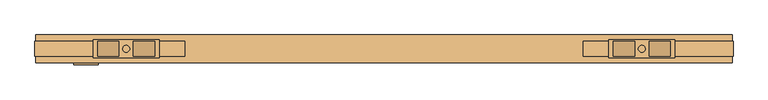
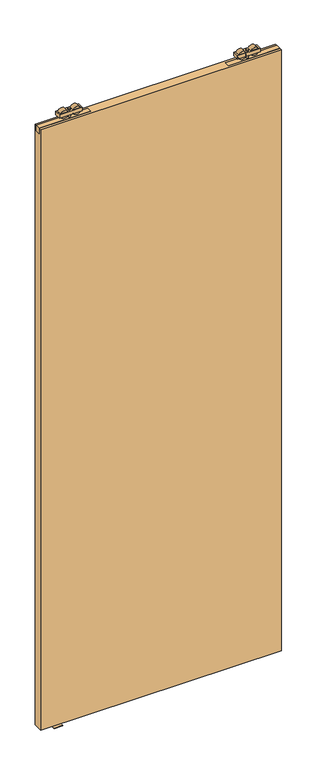
"""IFC4 building model written with IfcOpenShell, lengths in millimetres: door geometry."""

from ifc_helpers import new_model, si_unit, frame, origin, place, context, project, spatial, polyline, circle_curve, outline, extrude, source, transform, mapped, element, save
from ifc_brep_helpers import plane_surface, cylinder_surface, advanced_brep


def door_ffec7c73(model_context):
    return source(origin(), model_context, "Body", "SolidModel", [
        advanced_brep(
        [(915.0, -5.75, 2679.5), (915.0, 20.25, 2679.5), (820.0, 20.25, 2679.5), (820.0, -5.75, 2679.5), (857.072332, 17.9531798, 2679.5), (857.072332, -3.4531798, 2679.5), (826.78306, -3.4531798, 2679.5), (826.78306, 17.9531798, 2679.5), (908.21694, 17.9531798, 2679.5), (908.21694, -3.4531798, 2679.5), (877.927668, -3.4531798, 2679.5), (877.927668, 17.9531798, 2679.5), (872.45, 7.25, 2679.5), (862.55, 7.25, 2679.5), (915.0, -5.75, 2664.5), (820.0, -5.75, 2664.5), (820.0, 20.25, 2664.5), (915.0, 20.25, 2664.5), (826.78306, 17.9531798, 2664.5), (826.78306, -3.4531798, 2664.5), (857.072332, -3.4531798, 2664.5), (857.072332, 17.9531798, 2664.5), (877.927668, 17.9531798, 2664.5), (877.927668, -3.4531798, 2664.5), (908.21694, -3.4531798, 2664.5), (908.21694, 17.9531798, 2664.5), (862.55, 7.25, 2664.5), (872.45, 7.25, 2664.5), (862.55, 7.25, 2685.0), (872.45, 7.25, 2685.0), (862.55, 7.25, 2648.0), (872.45, 7.25, 2648.0)],
        [
            (0, 1),
            (1, 2),
            (2, 3),
            (3, 0),
            (4, 5),
            (5, 6),
            (6, 7),
            (7, 4),
            (8, 9),
            (9, 10),
            (10, 11),
            (11, 8),
            (12, 13, circle_curve(frame((867.5, 7.25, 2679.5), z_axis=(0.0, 0.0, -1.0), x_axis=(1.0, 0.0, 0.0)), 4.95)),
            (13, 12, circle_curve(frame((867.5, 7.25, 2679.5), z_axis=(0.0, 0.0, -1.0), x_axis=(1.0, 0.0, 0.0)), 4.95)),
            (14, 15),
            (15, 16),
            (16, 17),
            (17, 14),
            (18, 19),
            (19, 20),
            (20, 21),
            (21, 18),
            (22, 23),
            (23, 24),
            (24, 25),
            (25, 22),
            (26, 27, circle_curve(frame((867.5, 7.25, 2664.5), z_axis=(0.0, 0.0, 1.0), x_axis=(1.0, 0.0, 0.0)), 4.95)),
            (27, 26, circle_curve(frame((867.5, 7.25, 2664.5), z_axis=(0.0, 0.0, 1.0), x_axis=(1.0, 0.0, 0.0)), 4.95)),
            (3, 15),
            (14, 0),
            (2, 16),
            (1, 17),
            (7, 4, circle_curve(frame((841.927696, 17.9531798, 2672.0), z_axis=(0.0, 1.0, 0.0), x_axis=(1.0, 0.0, 0.0)), 16.9)),
            (21, 18, circle_curve(frame((841.927696, 17.9531798, 2672.0), z_axis=(0.0, 1.0, 0.0), x_axis=(1.0, 0.0, 0.0)), 16.9)),
            (5, 6, circle_curve(frame((841.927696, -3.4531798, 2672.0), z_axis=(0.0, -1.0, 0.0), x_axis=(1.0, 0.0, 0.0)), 16.9)),
            (19, 20, circle_curve(frame((841.927696, -3.4531798, 2672.0), z_axis=(0.0, -1.0, 0.0), x_axis=(1.0, 0.0, 0.0)), 16.9)),
            (11, 8, circle_curve(frame((893.072304, 17.9531798, 2672.0), z_axis=(0.0, 1.0, 0.0), x_axis=(-1.0, 0.0, 0.0)), 16.9)),
            (25, 22, circle_curve(frame((893.072304, 17.9531798, 2672.0), z_axis=(0.0, 1.0, 0.0), x_axis=(-1.0, 0.0, 0.0)), 16.9)),
            (9, 10, circle_curve(frame((893.072304, -3.4531798, 2672.0), z_axis=(0.0, -1.0, 0.0), x_axis=(-1.0, 0.0, 0.0)), 16.9)),
            (23, 24, circle_curve(frame((893.072304, -3.4531798, 2672.0), z_axis=(0.0, -1.0, 0.0), x_axis=(-1.0, 0.0, 0.0)), 16.9)),
            (28, 29, circle_curve(frame((867.5, 7.25, 2685.0), z_axis=(0.0, 0.0, 1.0), x_axis=(1.0, 0.0, 0.0)), 4.95)),
            (29, 28, circle_curve(frame((867.5, 7.25, 2685.0), z_axis=(0.0, 0.0, 1.0), x_axis=(1.0, 0.0, 0.0)), 4.95)),
            (30, 31, circle_curve(frame((867.5, 7.25, 2648.0), z_axis=(0.0, 0.0, -1.0), x_axis=(1.0, 0.0, 0.0)), 4.95)),
            (31, 30, circle_curve(frame((867.5, 7.25, 2648.0), z_axis=(0.0, 0.0, -1.0), x_axis=(1.0, 0.0, 0.0)), 4.95)),
            (30, 26),
            (27, 31),
            (29, 12),
            (13, 28),
        ],
        [
            plane_surface(frame((820.0, -5.75, 2679.5), z_axis=(0.0, 0.0, 1.0), x_axis=(-1.0, 0.0, 0.0))),
            plane_surface(frame((820.0, -5.75, 2664.5), z_axis=(0.0, 0.0, -1.0), x_axis=(1.0, 0.0, 0.0))),
            plane_surface(frame((915.0, -5.75, 2679.5), z_axis=(0.0, -1.0, 0.0), x_axis=(0.0, 0.0, -1.0))),
            plane_surface(frame((820.0, -5.75, 2679.5), z_axis=(-1.0, 0.0, 0.0), x_axis=(0.0, 0.0, -1.0))),
            plane_surface(frame((820.0, 20.25, 2679.5), z_axis=(0.0, 1.0, 0.0), x_axis=(0.0, 0.0, -1.0))),
            plane_surface(frame((915.0, 20.25, 2679.5), z_axis=(1.0, 0.0, 0.0), x_axis=(0.0, 0.0, -1.0))),
            plane_surface(frame((858.827696, 17.9531798, 2672.0), z_axis=(0.0, 1.0, 0.0), x_axis=(0.0, 0.0, 1.0))),
            plane_surface(frame((858.827696, -3.4531798, 2672.0), z_axis=(0.0, -1.0, 0.0), x_axis=(0.0, 0.0, -1.0))),
            cylinder_surface(frame((841.927696, -3.4531798, 2672.0), z_axis=(0.0, 1.0, 0.0), x_axis=(1.0, 0.0, 0.0)), 16.9),
            plane_surface(frame((876.172304, 17.9531798, 2672.0), z_axis=(0.0, 1.0, 0.0), x_axis=(0.0, 0.0, -1.0))),
            plane_surface(frame((876.172304, -3.4531798, 2672.0), z_axis=(0.0, -1.0, 0.0), x_axis=(0.0, 0.0, 1.0))),
            cylinder_surface(frame((893.072304, -3.4531798, 2672.0), z_axis=(0.0, 1.0, 0.0), x_axis=(-1.0, 0.0, 0.0)), 16.9),
            plane_surface(frame((872.45, 7.25, 2685.0), z_axis=(0.0, 0.0, 1.0), x_axis=(0.0, -1.0, 0.0))),
            plane_surface(frame((872.45, 7.25, 2648.0), z_axis=(0.0, 0.0, -1.0), x_axis=(0.0, 1.0, 0.0))),
            cylinder_surface(frame((867.5, 7.25, 2648.0), z_axis=(0.0, 0.0, 1.0), x_axis=(1.0, 0.0, 0.0)), 4.95),
        ],
        [
            (0, [[1, 2, 3, 4], [5, 6, 7, 8], [9, 10, 11, 12], [13, 14]]),
            (1, [[15, 16, 17, 18], [19, 20, 21, 22], [23, 24, 25, 26], [27, 28]]),
            (2, [[29, -15, 30, -4]]),
            (3, [[31, -16, -29, -3]]),
            (4, [[32, -17, -31, -2]]),
            (5, [[-30, -18, -32, -1]]),
            (6, [[-8, 33]]),
            (6, [[-22, 34]]),
            (7, [[-6, 35]]),
            (7, [[-20, 36]]),
            (8, [[-21, -36, -19, -34]]),
            (8, [[-7, -35, -5, -33]]),
            (9, [[-12, 37]]),
            (9, [[-26, 38]]),
            (10, [[-10, 39]]),
            (10, [[-24, 40]]),
            (11, [[-25, -40, -23, -38]]),
            (11, [[-11, -39, -9, -37]]),
            (12, [[41, 42]]),
            (13, [[43, 44]]),
            (14, [[45, -28, 46, -43]]),
            (14, [[47, -14, 48, -42]]),
            (14, [[-48, -13, -47, -41]]),
            (14, [[-46, -27, -45, -44]]),
        ],
    ),
        extrude(outline(polyline([(998.5, 18.5074263), (998.5, -3.4925737), (783.5, -3.4925737), (783.5, 18.5074263), (998.5, 18.5074263)])), frame((0.0, 0.0, 2623.2), z_axis=(0.0, 0.0, 1.0), x_axis=(1.0, 0.0, 0.0)), (0.0, 0.0, 1.0), 24.8),
        advanced_brep(
        [(80.0, -5.75, 2679.5), (175.0, -5.75, 2679.5), (175.0, 20.25, 2679.5), (80.0, 20.25, 2679.5), (137.927668, 17.9531798, 2679.5), (168.21694, 17.9531798, 2679.5), (168.21694, -3.4531798, 2679.5), (137.927668, -3.4531798, 2679.5), (86.78306, 17.9531798, 2679.5), (117.072332, 17.9531798, 2679.5), (117.072332, -3.4531798, 2679.5), (86.78306, -3.4531798, 2679.5), (122.55, 7.25, 2679.5), (132.45, 7.25, 2679.5), (80.0, -5.75, 2664.5), (80.0, 20.25, 2664.5), (175.0, 20.25, 2664.5), (175.0, -5.75, 2664.5), (168.21694, 17.9531798, 2664.5), (137.927668, 17.9531798, 2664.5), (137.927668, -3.4531798, 2664.5), (168.21694, -3.4531798, 2664.5), (117.072332, 17.9531798, 2664.5), (86.78306, 17.9531798, 2664.5), (86.78306, -3.4531798, 2664.5), (117.072332, -3.4531798, 2664.5), (132.45, 7.25, 2664.5), (122.55, 7.25, 2664.5), (132.45, 7.25, 2685.0), (122.55, 7.25, 2685.0), (132.45, 7.25, 2648.0), (122.55, 7.25, 2648.0)],
        [
            (0, 1),
            (1, 2),
            (2, 3),
            (3, 0),
            (4, 5),
            (5, 6),
            (6, 7),
            (7, 4),
            (8, 9),
            (9, 10),
            (10, 11),
            (11, 8),
            (12, 13, circle_curve(frame((127.5, 7.25, 2679.5), z_axis=(0.0, 0.0, -1.0), x_axis=(-1.0, 0.0, 0.0)), 4.95)),
            (13, 12, circle_curve(frame((127.5, 7.25, 2679.5), z_axis=(0.0, 0.0, -1.0), x_axis=(-1.0, 0.0, 0.0)), 4.95)),
            (14, 15),
            (15, 16),
            (16, 17),
            (17, 14),
            (18, 19),
            (19, 20),
            (20, 21),
            (21, 18),
            (22, 23),
            (23, 24),
            (24, 25),
            (25, 22),
            (26, 27, circle_curve(frame((127.5, 7.25, 2664.5), z_axis=(0.0, 0.0, 1.0), x_axis=(-1.0, 0.0, 0.0)), 4.95)),
            (27, 26, circle_curve(frame((127.5, 7.25, 2664.5), z_axis=(0.0, 0.0, 1.0), x_axis=(-1.0, 0.0, 0.0)), 4.95)),
            (0, 14),
            (17, 1),
            (16, 2),
            (15, 3),
            (4, 5, circle_curve(frame((153.072304, 17.9531798, 2672.0), z_axis=(0.0, 1.0, 0.0), x_axis=(-1.0, 0.0, 0.0)), 16.9)),
            (18, 19, circle_curve(frame((153.072304, 17.9531798, 2672.0), z_axis=(0.0, 1.0, 0.0), x_axis=(-1.0, 0.0, 0.0)), 16.9)),
            (6, 7, circle_curve(frame((153.072304, -3.4531798, 2672.0), z_axis=(0.0, -1.0, 0.0), x_axis=(-1.0, 0.0, 0.0)), 16.9)),
            (20, 21, circle_curve(frame((153.072304, -3.4531798, 2672.0), z_axis=(0.0, -1.0, 0.0), x_axis=(-1.0, 0.0, 0.0)), 16.9)),
            (8, 9, circle_curve(frame((101.927696, 17.9531798, 2672.0), z_axis=(0.0, 1.0, 0.0), x_axis=(1.0, 0.0, 0.0)), 16.9)),
            (22, 23, circle_curve(frame((101.927696, 17.9531798, 2672.0), z_axis=(0.0, 1.0, 0.0), x_axis=(1.0, 0.0, 0.0)), 16.9)),
            (10, 11, circle_curve(frame((101.927696, -3.4531798, 2672.0), z_axis=(0.0, -1.0, 0.0), x_axis=(1.0, 0.0, 0.0)), 16.9)),
            (24, 25, circle_curve(frame((101.927696, -3.4531798, 2672.0), z_axis=(0.0, -1.0, 0.0), x_axis=(1.0, 0.0, 0.0)), 16.9)),
            (28, 29, circle_curve(frame((127.5, 7.25, 2685.0), z_axis=(0.0, 0.0, 1.0), x_axis=(-1.0, 0.0, 0.0)), 4.95)),
            (29, 28, circle_curve(frame((127.5, 7.25, 2685.0), z_axis=(0.0, 0.0, 1.0), x_axis=(-1.0, 0.0, 0.0)), 4.95)),
            (30, 31, circle_curve(frame((127.5, 7.25, 2648.0), z_axis=(0.0, 0.0, -1.0), x_axis=(-1.0, 0.0, 0.0)), 4.95)),
            (31, 30, circle_curve(frame((127.5, 7.25, 2648.0), z_axis=(0.0, 0.0, -1.0), x_axis=(-1.0, 0.0, 0.0)), 4.95)),
            (28, 13),
            (12, 29),
            (31, 27),
            (26, 30),
        ],
        [
            plane_surface(frame((175.0, -5.75, 2679.5), z_axis=(0.0, 0.0, 1.0), x_axis=(1.0, 0.0, 0.0))),
            plane_surface(frame((175.0, -5.75, 2664.5), z_axis=(0.0, 0.0, -1.0), x_axis=(-1.0, 0.0, 0.0))),
            plane_surface(frame((80.0, -5.75, 2679.5), z_axis=(0.0, -1.0, 0.0), x_axis=(0.0, 0.0, -1.0))),
            plane_surface(frame((175.0, -5.75, 2679.5), z_axis=(1.0, 0.0, 0.0), x_axis=(0.0, 0.0, -1.0))),
            plane_surface(frame((175.0, 20.25, 2679.5), z_axis=(0.0, 1.0, 0.0), x_axis=(0.0, 0.0, -1.0))),
            plane_surface(frame((80.0, 20.25, 2679.5), z_axis=(-1.0, 0.0, 0.0), x_axis=(0.0, 0.0, -1.0))),
            plane_surface(frame((136.172304, 17.9531798, 2672.0), z_axis=(0.0, 1.0, 0.0), x_axis=(0.0, 0.0, 1.0))),
            plane_surface(frame((136.172304, -3.4531798, 2672.0), z_axis=(0.0, -1.0, 0.0), x_axis=(0.0, 0.0, -1.0))),
            cylinder_surface(frame((153.072304, -3.4531798, 2672.0), z_axis=(0.0, 1.0, 0.0), x_axis=(-1.0, 0.0, 0.0)), 16.9),
            plane_surface(frame((118.827696, 17.9531798, 2672.0), z_axis=(0.0, 1.0, 0.0), x_axis=(0.0, 0.0, -1.0))),
            plane_surface(frame((118.827696, -3.4531798, 2672.0), z_axis=(0.0, -1.0, 0.0), x_axis=(0.0, 0.0, 1.0))),
            cylinder_surface(frame((101.927696, -3.4531798, 2672.0), z_axis=(0.0, 1.0, 0.0), x_axis=(1.0, 0.0, 0.0)), 16.9),
            plane_surface(frame((122.55, 7.25, 2685.0), z_axis=(0.0, 0.0, 1.0), x_axis=(0.0, -1.0, 0.0))),
            plane_surface(frame((122.55, 7.25, 2648.0), z_axis=(0.0, 0.0, -1.0), x_axis=(0.0, 1.0, 0.0))),
            cylinder_surface(frame((127.5, 7.25, 2648.0), z_axis=(0.0, 0.0, 1.0), x_axis=(-1.0, 0.0, 0.0)), 4.95),
        ],
        [
            (0, [[1, 2, 3, 4], [5, 6, 7, 8], [9, 10, 11, 12], [13, 14]]),
            (1, [[15, 16, 17, 18], [19, 20, 21, 22], [23, 24, 25, 26], [27, 28]]),
            (2, [[-1, 29, -18, 30]]),
            (3, [[-2, -30, -17, 31]]),
            (4, [[-3, -31, -16, 32]]),
            (5, [[-4, -32, -15, -29]]),
            (6, [[33, -5]]),
            (6, [[34, -19]]),
            (7, [[35, -7]]),
            (7, [[36, -21]]),
            (8, [[-34, -22, -36, -20]]),
            (8, [[-33, -8, -35, -6]]),
            (9, [[37, -9]]),
            (9, [[38, -23]]),
            (10, [[39, -11]]),
            (10, [[40, -25]]),
            (11, [[-38, -26, -40, -24]]),
            (11, [[-37, -12, -39, -10]]),
            (12, [[41, 42]]),
            (13, [[43, 44]]),
            (14, [[-41, 45, -13, 46]]),
            (14, [[-44, 47, -27, 48]]),
            (14, [[-42, -46, -14, -45]]),
            (14, [[-43, -48, -28, -47]]),
        ],
    ),
        extrude(outline(polyline([(-3.5, 18.5074263), (211.5, 18.5074263), (211.5, -3.4925737), (-3.5, -3.4925737), (-3.5, 18.5074263)])), frame((0.0, 0.0, 2623.2), z_axis=(0.0, 0.0, 1.0), x_axis=(1.0, 0.0, 0.0)), (0.0, 0.0, 1.0), 24.8),
        extrude(outline(polyline([(-2.5, -12.75), (-2.5, 27.25), (997.5, 27.25), (997.5, -12.75), (-2.5, -12.75)])), frame((0.0, 0.0, 10.0), z_axis=(0.0, 0.0, 1.0), x_axis=(1.0, 0.0, 0.0)), (0.0, 0.0, 1.0), 2638.0),
        extrude(outline(polyline([(-15.3483682, 2.0), (-1.6516318, 2.0), (-1.6516318, 26.0), (7.25, 26.0), (7.25, 2.0), (21.25, 2.0), (21.25, 0.0), (-15.3483682, 0.0), (-15.3483682, 2.0)])), frame((52.5, 0.0, 0.0), z_axis=(1.0, 0.0, 0.0), x_axis=(0.0, 1.0, 0.0)), (0.0, 0.0, 1.0), 35.0),
    ])


if __name__ == "__main__":
    model = new_model("IFC4")
    model_context = context("Model", 3, world=origin())
    ifc_project = project(units=[si_unit("LENGTHUNIT", "METRE", prefix="MILLI")], contexts=[model_context])
    site = spatial("IfcSite", under=ifc_project)
    building = spatial("IfcBuilding", under=site)
    placement = place(None, origin())
    door_shape = door_ffec7c73(model_context)
    element("IfcDoor", 1, at=placement, inside=building, context=model_context, shape_type="MappedRepresentation", body=[
        mapped(door_shape, transform((0.0, 0.0, 0.0), x_axis=(1.0, 0.0, 0.0), y_axis=(0.0, 1.0, 0.0), z_axis=(0.0, 0.0, 1.0))),
    ])
    save(model, "model.ifc")
